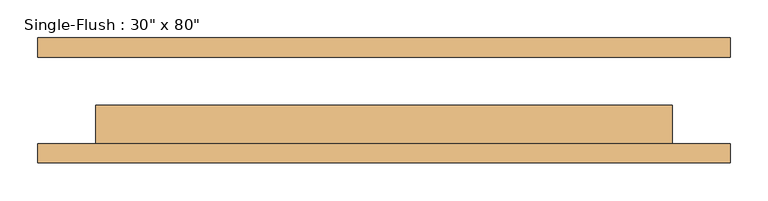
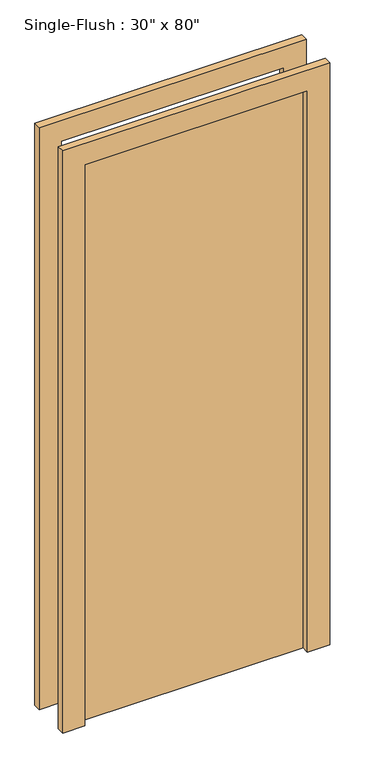
"""IFC4 building model written with IfcOpenShell, lengths in millimetres: door geometry."""

from ifc_helpers import new_model, si_unit, frame, origin, origin_with_axes, place, context, project, spatial, polyline, outline, extrude, source, transform, mapped, element, save


def door_f2b275c1(model_context):
    return source(origin(), model_context, "Body", "SweptSolid", [
        extrude(outline(polyline([(2108.2, -457.2), (0.0, -457.2), (0.0, -381.0), (2032.0, -381.0), (2032.0, 381.0), (0.0, 381.0), (0.0, 457.2), (2108.2, 457.2), (2108.2, -457.2)])), frame((0.0, -82.55, 0.0), z_axis=(0.0, 1.0, 0.0), x_axis=(0.0, 0.0, 1.0)), (0.0, 0.0, 1.0), 25.4),
        extrude(outline(polyline([(2108.2, 457.2), (2108.2, -457.2), (0.0, -457.2), (0.0, -381.0), (2032.0, -381.0), (2032.0, 381.0), (0.0, 381.0), (0.0, 457.2), (2108.2, 457.2)])), frame((0.0, 57.15, 0.0), z_axis=(0.0, 1.0, 0.0), x_axis=(0.0, 0.0, 1.0)), (0.0, 0.0, 1.0), 25.4),
        extrude(outline(polyline([(381.0, -6.35), (381.0, -57.15), (-381.0, -57.15), (-381.0, -6.35), (381.0, -6.35)])), origin_with_axes(), (0.0, 0.0, 1.0), 2032.0),
    ])


if __name__ == "__main__":
    model = new_model("IFC4")
    model_context = context("Model", 3, world=origin())
    ifc_project = project(units=[si_unit("LENGTHUNIT", "METRE", prefix="MILLI")], contexts=[model_context])
    site = spatial("IfcSite", under=ifc_project)
    building = spatial("IfcBuilding", under=site)
    placement = place(None, origin())
    door_shape = door_f2b275c1(model_context)
    element("IfcDoor", 1, ObjectType="Single-Flush : 30\" x 80\"", at=placement, inside=building, context=model_context, shape_type="MappedRepresentation", body=[
        mapped(door_shape, transform((0.0, 0.0, 0.0), x_axis=(1.0, 0.0, 0.0), y_axis=(0.0, 1.0, 0.0), z_axis=(0.0, 0.0, 1.0))),
    ])
    save(model, "model.ifc")
